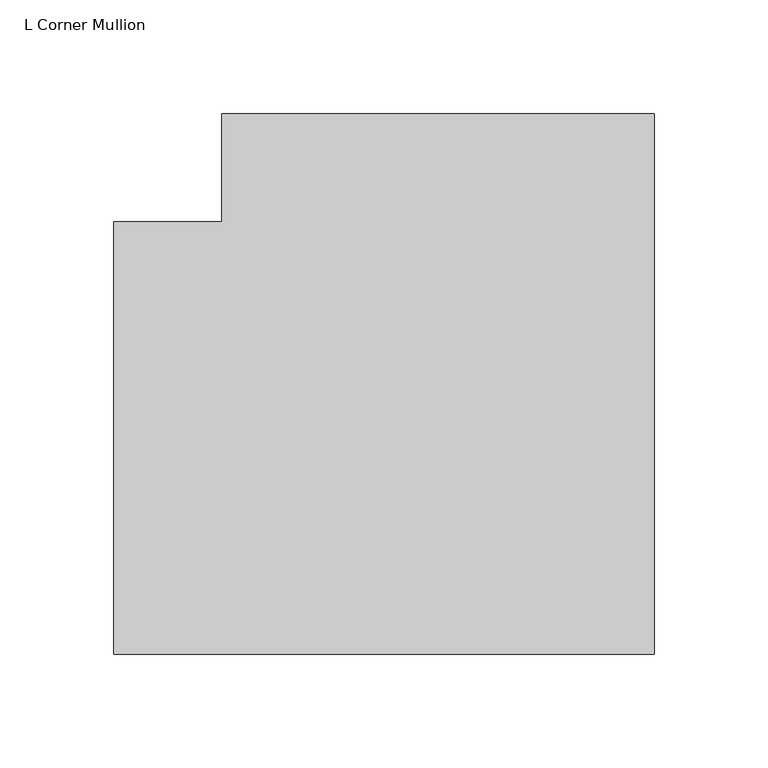
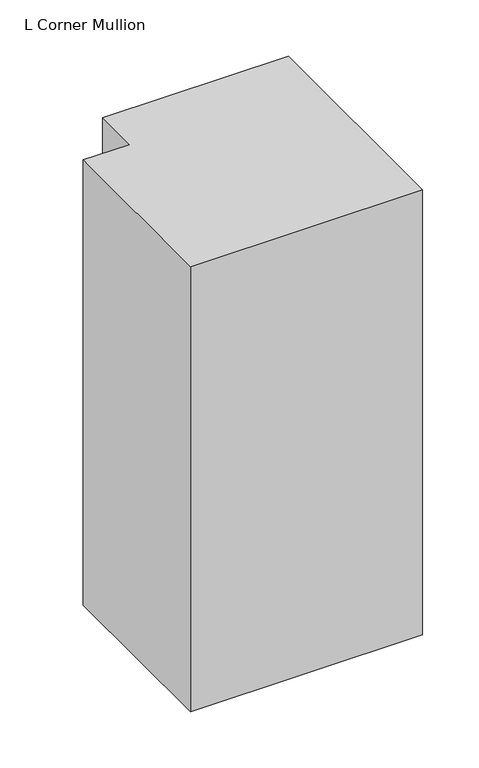
"""IFC4 building model written with IfcOpenShell, lengths in millimetres: member geometry, L Corner Mullion."""

from ifc_helpers import new_model, si_unit, frame, origin, place, context, project, spatial, polyline, outline, extrude, source, transform, mapped, element, save


def l_corner_mullion_c0fd6b2f(model_context):
    return source(origin(), model_context, "Body", "SweptSolid", [
        extrude(outline(polyline([(152.4, 85.725), (152.4, -152.4), (-85.725, -152.4), (-85.725, 38.1), (-38.1, 38.1), (-38.1, 85.725), (152.4, 85.725)])), frame((0.0, 0.0, -482.1103332), z_axis=(0.0, 0.0, 1.0), x_axis=(1.0, 0.0, 0.0)), (0.0, 0.0, 1.0), 482.1103332),
    ])


if __name__ == "__main__":
    model = new_model("IFC4")
    model_context = context("Model", 3, world=origin())
    ifc_project = project(units=[si_unit("LENGTHUNIT", "METRE", prefix="MILLI")], contexts=[model_context])
    site = spatial("IfcSite", under=ifc_project)
    building = spatial("IfcBuilding", under=site)
    placement = place(None, origin())
    l_corner_mullion_shape = l_corner_mullion_c0fd6b2f(model_context)
    element("IfcMember", 1, ObjectType="L Corner Mullion", at=placement, inside=building, context=model_context, shape_type="MappedRepresentation", body=[
        mapped(l_corner_mullion_shape, transform((0.0, 0.0, 0.0), x_axis=(1.0, 0.0, 0.0), y_axis=(0.0, 1.0, 0.0), z_axis=(0.0, 0.0, 1.0))),
    ])
    save(model, "model.ifc")
